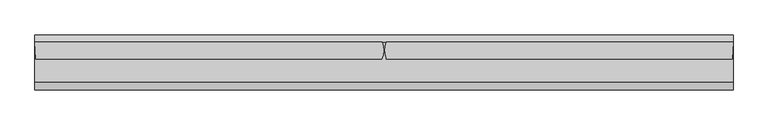
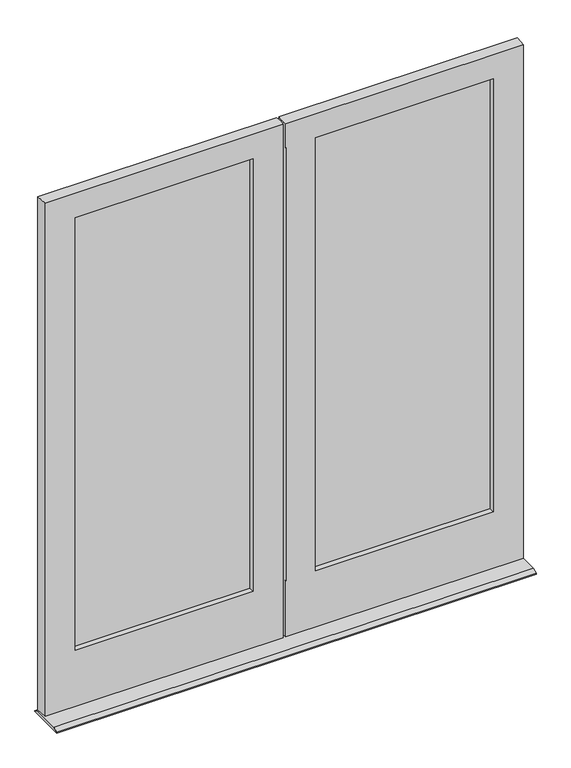
"""IFC4 building model written with IfcOpenShell, lengths in millimetres: plate geometry."""

from ifc_helpers import new_model, si_unit, frame, origin, place, context, project, spatial, polyline, circle_curve, outline, extrude, source, transform, mapped, element, save
from ifc_brep_helpers import plane_surface, cylinder_surface, advanced_brep


def plate_a04008f5(model_context):
    return source(origin(), model_context, "Body", "SolidModel", [
        extrude(outline(polyline([(-102.39375, -24.1173), (-805.259375, -24.1173), (-805.259375, -20.9423), (-102.39375, -20.9423), (-102.39375, -24.1173)])), frame((0.0, 0.0, 226.615625), z_axis=(0.0, 0.0, 1.0), x_axis=(1.0, 0.0, 0.0)), (0.0, 0.0, 1.0), 1758.553125),
        extrude(outline(polyline([(-805.259375, -13.1953), (-102.39375, -13.1953), (-102.39375, -16.3703), (-805.259375, -16.3703), (-805.259375, -13.1953)])), frame((0.0, 0.0, 226.615625), z_axis=(0.0, 0.0, 1.0), x_axis=(1.0, 0.0, 0.0)), (0.0, 0.0, 1.0), 1758.553125),
        extrude(outline(polyline([(805.259375, -24.1173), (102.39375, -24.1173), (102.39375, -20.9423), (805.259375, -20.9423), (805.259375, -24.1173)])), frame((0.0, 0.0, 226.615625), z_axis=(0.0, 0.0, 1.0), x_axis=(1.0, 0.0, 0.0)), (0.0, 0.0, 1.0), 1758.553125),
        extrude(outline(polyline([(102.39375, -13.1953), (805.259375, -13.1953), (805.259375, -16.3703), (102.39375, -16.3703), (102.39375, -13.1953)])), frame((0.0, 0.0, 226.615625), z_axis=(0.0, 0.0, 1.0), x_axis=(1.0, 0.0, 0.0)), (0.0, 0.0, 1.0), 1758.553125),
        extrude(outline(polyline([(-1.5881087, 12.7), (17.4625, 3.1746956), (17.4625, 0.0), (-125.4125, 0.0), (-125.4125, 3.1746956), (-106.3618913, 12.7), (-1.5881087, 12.7)])), frame((-906.0704725, 0.0, 0.0), z_axis=(1.0, 0.0, 0.0), x_axis=(0.0, 1.0, 0.0)), (0.0, 0.0, 1.0), 1812.1392717),
        advanced_brep(
        [(-785.4155589, -13.1953, 1965.325), (-785.4155589, -1.5875, 1965.325), (-122.2375, -1.5875, 1965.325), (-122.2375, -13.1953, 1965.325), (-805.259375, -24.1173, 1985.16875), (-805.259375, -13.1953, 1985.16875), (-102.39375, -13.1953, 1985.16875), (-102.39375, -24.1173, 1985.16875), (-790.1907637, -46.0375, 1970.1002), (-790.1907637, -24.1173, 1970.1002), (-117.4623, -24.1173, 1970.1002), (-117.4623, -46.0375, 1970.1002), (-785.4155589, -13.1953, 246.0621956), (-122.2375, -13.1953, 246.0621956), (-122.2375, -1.5875112, 246.0621956), (-785.4155589, -1.5875, 246.0621956), (-102.39375, -13.1953, 226.615625), (-805.259375, -13.1953, 226.615625), (-805.259375, -24.1173, 226.615625), (-102.39375, -24.1173, 226.615625), (-790.1907637, -46.0375, 241.2869956), (-117.4623, -46.0375, 241.2869956), (-117.4623, -24.1172086, 241.2869956), (-790.1907637, -24.1173, 241.2869956), (-903.3018725, -46.0375, 17.4625), (-903.3018725, -46.0375, 2066.925), (-906.0704725, -1.5875, 2066.925), (-906.0704725, -1.5875, 17.4625), (-4.4292042, -1.5875127, 2066.925), (-5.6038924, -46.0375, 2066.925), (-5.6038924, -46.0375, 17.4625), (-4.4292042, -1.5875127, 17.4625)],
        [
            (0, 1),
            (1, 2),
            (2, 3),
            (3, 0),
            (4, 5),
            (5, 6),
            (6, 7),
            (7, 4),
            (8, 9),
            (9, 10),
            (10, 11),
            (11, 8),
            (12, 13),
            (13, 14),
            (14, 15),
            (15, 12),
            (16, 17),
            (17, 18),
            (18, 19),
            (19, 16),
            (20, 21),
            (21, 22),
            (22, 23),
            (23, 20),
            (24, 25),
            (25, 26),
            (26, 27),
            (27, 24),
            (8, 20),
            (23, 9),
            (17, 5),
            (4, 18),
            (0, 12),
            (15, 1),
            (2, 14),
            (13, 3),
            (19, 7),
            (6, 16),
            (10, 22),
            (21, 11),
            (28, 29, circle_curve(frame((-65.0875, -22.225, 2066.925), z_axis=(0.0, 0.0, -1.0), x_axis=(0.0, -1.0, 0.0)), 64.0728861)),
            (29, 30),
            (30, 31, circle_curve(frame((-65.0875, -22.225, 17.4625), z_axis=(0.0, 0.0, 1.0), x_axis=(0.0, -1.0, 0.0)), 64.0728861)),
            (31, 28),
            (29, 25),
            (24, 30),
            (26, 28),
            (31, 27),
        ],
        [
            plane_surface(frame((-903.3018725, -1.5875, 1965.325), z_axis=(0.0, 0.0, -1.0), x_axis=(1.0, 0.0, 0.0))),
            plane_surface(frame((-903.3018725, -13.1953, 1985.16875), z_axis=(0.0, 0.0, -1.0), x_axis=(1.0, 0.0, 0.0))),
            plane_surface(frame((-903.3018725, -24.1173, 1970.1002), z_axis=(0.0, 0.0, -1.0), x_axis=(1.0, 0.0, 0.0))),
            plane_surface(frame((-5.5889985, -1.5875, 246.0621956), z_axis=(0.0, 0.0, 1.0), x_axis=(-1.0, 0.0, 0.0))),
            plane_surface(frame((-5.5889985, -13.1953, 226.615625), z_axis=(0.0, 0.0, 1.0), x_axis=(-1.0, 0.0, 0.0))),
            plane_surface(frame((-5.5889985, -24.1173, 241.2869956), z_axis=(0.0, 0.0, 1.0), x_axis=(-1.0, 0.0, 0.0))),
            plane_surface(frame((-906.0704725, -1.5875, 2066.925), z_axis=(-0.998065870687917, -0.062165245660017444, 0.0), x_axis=(0.0, 0.0, -1.0))),
            plane_surface(frame((-790.1907637, -46.0375, 2066.925), z_axis=(1.0, 0.0, 0.0), x_axis=(0.0, 0.0, -1.0))),
            plane_surface(frame((-805.259375, -24.1173, 2066.925), z_axis=(1.0, 0.0, 0.0), x_axis=(0.0, 0.0, -1.0))),
            plane_surface(frame((-785.4155589, -13.1953, 2066.925), z_axis=(1.0, 0.0, 0.0), x_axis=(0.0, 0.0, -1.0))),
            plane_surface(frame((-122.2375, -1.5875127, 2066.925), z_axis=(-1.0, 0.0, 0.0), x_axis=(0.0, 0.0, -1.0))),
            plane_surface(frame((-102.39375, -13.1920658, 2066.925), z_axis=(-1.0, 0.0, 0.0), x_axis=(0.0, 0.0, -1.0))),
            plane_surface(frame((-117.4623, -24.1171967, 2066.925), z_axis=(-1.0, 0.0, 0.0), x_axis=(0.0, 0.0, -1.0))),
            cylinder_surface(frame((-65.0875, -22.225, 2066.925), z_axis=(0.0, 0.0, 1.0), x_axis=(0.0, -1.0, 0.0)), 64.0728861),
            plane_surface(frame((-903.3018725, -46.0375, 2009.8783598), z_axis=(0.0, -1.0, 0.0), x_axis=(1.0, 0.0, 0.0))),
            plane_surface(frame((-903.3018725, -1.5875, 2009.8783598), z_axis=(0.0, 1.0, 0.0), x_axis=(1.0, 0.0, 0.0))),
            plane_surface(frame((-903.3018725, -13.1953, 1965.325), z_axis=(0.0, -1.0, 0.0), x_axis=(1.0, 0.0, 0.0))),
            plane_surface(frame((-903.3018725, -24.1173, 1985.16875), z_axis=(0.0, 1.0, 0.0), x_axis=(1.0, 0.0, 0.0))),
            plane_surface(frame((-903.3018725, -46.0375, 2066.925), z_axis=(0.0, 0.0, 1.0), x_axis=(1.0, 0.0, 0.0))),
            plane_surface(frame((-895.35, -18.6563, 17.4625), z_axis=(0.0, 0.0, -1.0), x_axis=(0.0, -1.0, 0.0))),
        ],
        [
            (0, [[1, 2, 3, 4]]),
            (1, [[5, 6, 7, 8]]),
            (2, [[9, 10, 11, 12]]),
            (3, [[13, 14, 15, 16]]),
            (4, [[17, 18, 19, 20]]),
            (5, [[21, 22, 23, 24]]),
            (6, [[25, 26, 27, 28]]),
            (7, [[-9, 29, -24, 30]]),
            (8, [[31, -5, 32, -18]]),
            (9, [[-1, 33, -16, 34]]),
            (10, [[-3, 35, -14, 36]]),
            (11, [[37, -7, 38, -20]]),
            (12, [[-11, 39, -22, 40]]),
            (13, [[41, 42, 43, 44]]),
            (14, [[45, -25, 46, -42], [-40, -21, -29, -12]]),
            (15, [[-27, 47, -44, 48], [-34, -15, -35, -2]]),
            (16, [[-6, -31, -17, -38], [-4, -36, -13, -33]]),
            (17, [[-8, -37, -19, -32], [-10, -30, -23, -39]]),
            (18, [[-26, -45, -41, -47]]),
            (19, [[-46, -28, -48, -43]]),
        ],
    ),
        advanced_brep(
        [(117.4623, -24.1171967, 1970.1002), (117.4623, -46.0375, 1970.1002), (117.4623, -46.0375, 241.2869956), (117.4623, -24.1171967, 241.2869956), (102.39375, -13.1920658, 1985.16875), (102.39375, -24.1171967, 1985.16875), (102.39375, -24.1171967, 226.615625), (102.39375, -13.1920658, 226.615625), (122.2375, -1.5875127, 1965.325), (122.2375, -13.1920658, 1965.325), (122.2375, -13.1920658, 246.0621956), (122.2375, -1.5875127, 246.0621956), (785.415625, -13.1948119, 1965.325), (785.415625, -1.5875019, 1965.325), (785.415625, -1.5875114, 246.0621956), (785.415625, -13.1920658, 246.0621956), (805.259375, -24.1172874, 1985.16875), (805.259375, -13.1949041, 1985.16875), (805.259375, -13.1920658, 226.615625), (805.259375, -24.1171967, 226.615625), (790.190825, -46.0375, 1970.1002), (790.190825, -24.1172851, 1970.1002), (790.190825, -24.1172069, 241.2869956), (790.190825, -46.0375, 241.2869956), (906.0687992, -1.5875127, 2066.925), (903.3002, -46.0375, 2066.925), (903.3002, -46.0375, 17.4625), (906.0687992, -1.5875127, 17.4625), (6.8022474, -46.0375, 1970.1002), (5.5889985, -46.0375, 1970.1002), (5.5889985, -42.8195172, 1970.1002), (5.5889985, -46.0375, 241.2869956), (6.8022474, -46.0375, 241.2869956), (5.5889985, -42.8195172, 241.2869956), (5.5889985, -42.8195172, 2066.925), (5.6038893, -1.5875127, 2066.925), (5.6038893, -1.5875127, 17.4625), (5.5889985, -42.8195172, 17.4625), (5.5889985, -46.0375, 2066.925), (5.5889985, -46.0375, 17.4625)],
        [
            (0, 1),
            (1, 2),
            (2, 3),
            (3, 0),
            (4, 5),
            (5, 6),
            (6, 7),
            (7, 4),
            (8, 9),
            (9, 10),
            (10, 11),
            (11, 8),
            (12, 13),
            (13, 14),
            (14, 15),
            (15, 12),
            (16, 17),
            (17, 18),
            (18, 19),
            (19, 16),
            (20, 21),
            (21, 22),
            (22, 23),
            (23, 20),
            (24, 25),
            (25, 26),
            (26, 27),
            (27, 24),
            (8, 13),
            (12, 9),
            (4, 17),
            (16, 5),
            (0, 21),
            (20, 1),
            (28, 29),
            (29, 30),
            (30, 28, circle_curve(frame((65.0875, -22.225, 1970.1002), z_axis=(0.0, 0.0, 1.0), x_axis=(0.0, -1.0, 0.0)), 62.9619395)),
            (10, 15),
            (14, 11),
            (6, 19),
            (18, 7),
            (31, 32),
            (32, 33, circle_curve(frame((65.0875, -22.225, 241.2869956), z_axis=(0.0, 0.0, -1.0), x_axis=(0.0, -1.0, 0.0)), 62.9619395)),
            (33, 31),
            (2, 23),
            (22, 3),
            (34, 35, circle_curve(frame((65.0875, -22.225, 2066.925), z_axis=(0.0, 0.0, -1.0), x_axis=(0.0, -1.0, 0.0)), 62.9619395)),
            (35, 36),
            (36, 37, circle_curve(frame((65.0875, -22.225, 17.4625), z_axis=(0.0, 0.0, 1.0), x_axis=(0.0, -1.0, 0.0)), 62.9619395)),
            (37, 33),
            (32, 28),
            (30, 34),
            (29, 38),
            (38, 34),
            (27, 36),
            (35, 24),
            (31, 39),
            (39, 26),
            (25, 38),
            (37, 39),
        ],
        [
            plane_surface(frame((117.4623, -46.0375, 2066.925), z_axis=(1.0, 0.0, 0.0), x_axis=(0.0, 0.0, -1.0))),
            plane_surface(frame((102.39375, -24.1171967, 2066.925), z_axis=(1.0, 0.0, 0.0), x_axis=(0.0, 0.0, -1.0))),
            plane_surface(frame((122.2375, -13.1920658, 2066.925), z_axis=(1.0, 0.0, 0.0), x_axis=(0.0, 0.0, -1.0))),
            plane_surface(frame((785.415625, -1.5875127, 2066.925), z_axis=(-1.0, 0.0, 0.0), x_axis=(0.0, 0.0, -1.0))),
            plane_surface(frame((805.259375, -13.1920658, 2066.925), z_axis=(-1.0, 0.0, 0.0), x_axis=(0.0, 0.0, -1.0))),
            plane_surface(frame((790.190825, -24.1171967, 2066.925), z_axis=(-1.0, 0.0, 0.0), x_axis=(0.0, 0.0, -1.0))),
            plane_surface(frame((903.3002, -46.0375, 2066.925), z_axis=(0.9980658706878365, -0.06216524566130957, 0.0), x_axis=(0.0, 0.0, -1.0))),
            plane_surface(frame((5.5889985, -1.5875, 1965.325), z_axis=(0.0, 0.0, -1.0), x_axis=(1.0, 0.0, 0.0))),
            plane_surface(frame((5.5889985, -13.1953, 1985.16875), z_axis=(0.0, 0.0, -1.0), x_axis=(1.0, 0.0, 0.0))),
            plane_surface(frame((5.5889985, -24.1173, 1970.1002), z_axis=(0.0, 0.0, -1.0), x_axis=(1.0, 0.0, 0.0))),
            plane_surface(frame((903.3002, -1.5875, 246.0621956), z_axis=(0.0, 0.0, 1.0), x_axis=(-1.0, 0.0, 0.0))),
            plane_surface(frame((903.3002, -13.1953, 226.615625), z_axis=(0.0, 0.0, 1.0), x_axis=(-1.0, 0.0, 0.0))),
            plane_surface(frame((903.3002, -24.1173, 241.2869956), z_axis=(0.0, 0.0, 1.0), x_axis=(-1.0, 0.0, 0.0))),
            cylinder_surface(frame((65.0875, -22.225, 2066.925), z_axis=(0.0, 0.0, 1.0), x_axis=(0.0, -1.0, 0.0)), 62.9619395),
            plane_surface(frame((5.5889985, -18.6563, 2082.8), z_axis=(-1.0, 0.0, 0.0), x_axis=(0.0, -1.0, 0.0))),
            plane_surface(frame((55.4591402, -1.5875127, 2066.925), z_axis=(0.0, 1.0, 0.0), x_axis=(0.0, 0.0, -1.0))),
            plane_surface(frame((55.4591402, -46.0375, 2066.925), z_axis=(0.0, -1.0, 0.0), x_axis=(0.0, 0.0, -1.0))),
            plane_surface(frame((117.4623, -24.1171967, 2066.925), z_axis=(0.0, 1.0, 0.0), x_axis=(0.0, 0.0, -1.0))),
            plane_surface(frame((102.39375, -13.1920658, 2066.925), z_axis=(0.0, -1.0, 0.0), x_axis=(0.0, 0.0, -1.0))),
            plane_surface(frame((5.5889985, -18.6563, 0.0), z_axis=(-1.0, 0.0, 0.0), x_axis=(0.0, -1.0, 0.0))),
            plane_surface(frame((-903.3018725, -46.0375, 2066.925), z_axis=(0.0, 0.0, 1.0), x_axis=(1.0, 0.0, 0.0))),
            plane_surface(frame((-895.35, -18.6563, 17.4625), z_axis=(0.0, 0.0, -1.0), x_axis=(0.0, -1.0, 0.0))),
        ],
        [
            (0, [[1, 2, 3, 4]]),
            (1, [[5, 6, 7, 8]]),
            (2, [[9, 10, 11, 12]]),
            (3, [[13, 14, 15, 16]]),
            (4, [[17, 18, 19, 20]]),
            (5, [[21, 22, 23, 24]]),
            (6, [[25, 26, 27, 28]]),
            (7, [[-9, 29, -13, 30]]),
            (8, [[-5, 31, -17, 32]]),
            (9, [[-1, 33, -21, 34]]),
            (9, [[35, 36, 37]]),
            (10, [[38, -15, 39, -11]]),
            (11, [[-7, 40, -19, 41]]),
            (12, [[42, 43, 44]]),
            (12, [[45, -23, 46, -3]]),
            (13, [[47, 48, 49, 50, -43, 51, -37, 52]]),
            (14, [[53, 54, -52, -36]]),
            (15, [[-28, 55, -48, 56], [-29, -12, -39, -14]]),
            (16, [[-53, -35, -51, -42, 57, 58, -26, 59], [-34, -24, -45, -2]]),
            (17, [[-32, -20, -40, -6], [-33, -4, -46, -22]]),
            (18, [[-31, -8, -41, -18], [-30, -16, -38, -10]]),
            (19, [[-57, -44, -50, 60]]),
            (20, [[-47, -54, -59, -25, -56]]),
            (21, [[-27, -58, -60, -49, -55]]),
        ],
    ),
    ])


if __name__ == "__main__":
    model = new_model("IFC4")
    model_context = context("Model", 3, world=origin())
    ifc_project = project(units=[si_unit("LENGTHUNIT", "METRE", prefix="MILLI")], contexts=[model_context])
    site = spatial("IfcSite", under=ifc_project)
    building = spatial("IfcBuilding", under=site)
    placement = place(None, origin())
    plate_shape = plate_a04008f5(model_context)
    element("IfcPlate", 1, at=placement, inside=building, context=model_context, shape_type="MappedRepresentation", body=[
        mapped(plate_shape, transform((0.0, 0.0, 0.0), x_axis=(1.0, 0.0, 0.0), y_axis=(0.0, 1.0, 0.0), z_axis=(0.0, 0.0, 1.0))),
    ])
    save(model, "model.ifc")
